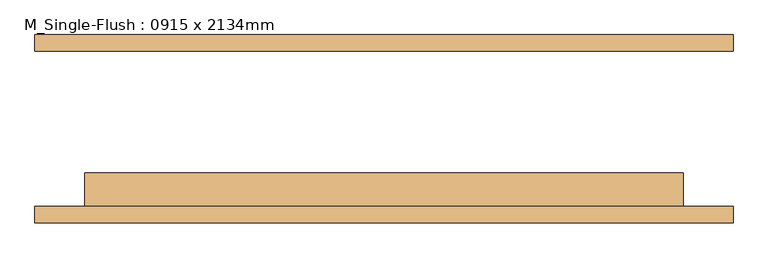
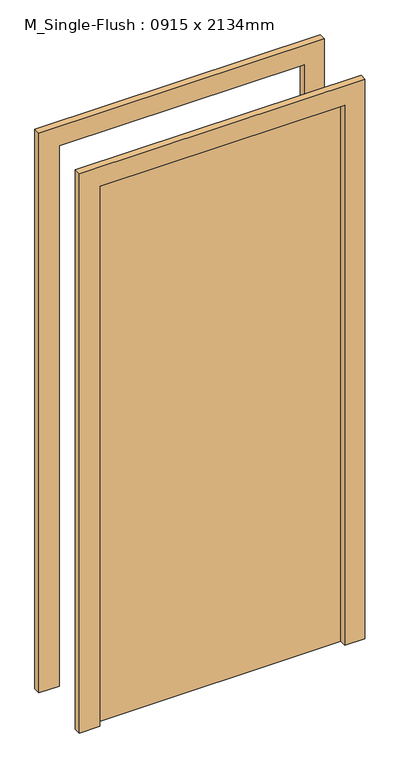
"""IFC4 building model written with IfcOpenShell, lengths in millimetres: door geometry, M_Single-Flush : 0915 x 2134mm."""

from ifc_helpers import new_model, si_unit, frame, origin, origin_with_axes, place, context, project, spatial, polyline, outline, extrude, source, transform, mapped, element, save


def m_single_flush_0915_x_2134mm_53bf0213(model_context):
    return source(origin(), model_context, "Body", "SweptSolid", [
        extrude(outline(polyline([(2210.0, -533.5), (0.0, -533.5), (0.0, -457.5), (2134.0, -457.5), (2134.0, 457.5), (0.0, 457.5), (0.0, 533.5), (2210.0, 533.5), (2210.0, -533.5)])), frame((0.0, -143.75, 0.0), z_axis=(0.0, 1.0, 0.0), x_axis=(0.0, 0.0, 1.0)), (0.0, 0.0, 1.0), 25.0),
        extrude(outline(polyline([(2210.0, 533.5), (2210.0, -533.5), (0.0, -533.5), (0.0, -457.5), (2134.0, -457.5), (2134.0, 457.5), (0.0, 457.5), (0.0, 533.5), (2210.0, 533.5)])), frame((0.0, 118.75, 0.0), z_axis=(0.0, 1.0, 0.0), x_axis=(0.0, 0.0, 1.0)), (0.0, 0.0, 1.0), 25.0),
        extrude(outline(polyline([(457.5, -67.75), (457.5, -118.75), (-457.5, -118.75), (-457.5, -67.75), (457.5, -67.75)])), origin_with_axes(), (0.0, 0.0, 1.0), 2134.0),
    ])


if __name__ == "__main__":
    model = new_model("IFC4")
    model_context = context("Model", 3, world=origin())
    ifc_project = project(units=[si_unit("LENGTHUNIT", "METRE", prefix="MILLI")], contexts=[model_context])
    site = spatial("IfcSite", under=ifc_project)
    building = spatial("IfcBuilding", under=site)
    placement = place(None, origin())
    m_single_flush_0915_x_2134mm_shape = m_single_flush_0915_x_2134mm_53bf0213(model_context)
    element("IfcDoor", 1, ObjectType="M_Single-Flush : 0915 x 2134mm", at=placement, inside=building, context=model_context, shape_type="MappedRepresentation", body=[
        mapped(m_single_flush_0915_x_2134mm_shape, transform((0.0, 0.0, 0.0), x_axis=(1.0, 0.0, 0.0), y_axis=(0.0, 1.0, 0.0), z_axis=(0.0, 0.0, 1.0))),
    ])
    save(model, "model.ifc")
